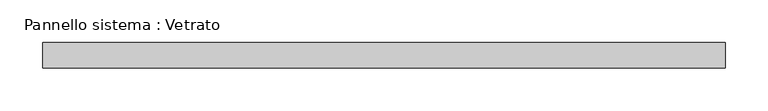
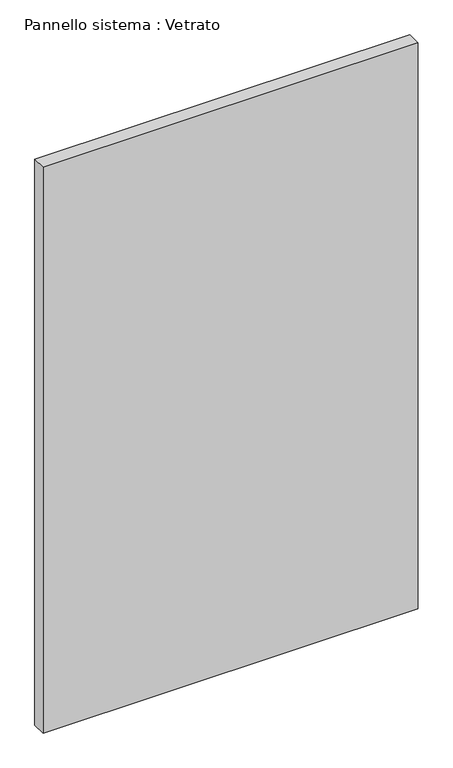
"""IFC4 building model written with IfcOpenShell, lengths in millimetres: plate geometry, Pannello sistema : Vetrato."""

from ifc_helpers import new_model, si_unit, origin, origin_with_axes, place, context, project, spatial, polyline, outline, extrude, source, transform, mapped, element, save


def pannello_sistema_vetrato_28babcdf(model_context):
    return source(origin(), model_context, "Body", "SweptSolid", [
        extrude(outline(polyline([(400.0, -15.0), (-400.0, -15.0), (-400.0, 15.0), (400.0, 15.0), (400.0, -15.0)])), origin_with_axes(), (0.0, 0.0, 1.0), 1275.0),
    ])


if __name__ == "__main__":
    model = new_model("IFC4")
    model_context = context("Model", 3, world=origin())
    ifc_project = project(units=[si_unit("LENGTHUNIT", "METRE", prefix="MILLI")], contexts=[model_context])
    site = spatial("IfcSite", under=ifc_project)
    building = spatial("IfcBuilding", under=site)
    placement = place(None, origin())
    pannello_sistema_vetrato_shape = pannello_sistema_vetrato_28babcdf(model_context)
    element("IfcPlate", 1, ObjectType="Pannello sistema : Vetrato", at=placement, inside=building, context=model_context, shape_type="MappedRepresentation", body=[
        mapped(pannello_sistema_vetrato_shape, transform((0.0, 0.0, 0.0), x_axis=(1.0, 0.0, 0.0), y_axis=(0.0, 1.0, 0.0), z_axis=(0.0, 0.0, 1.0))),
    ])
    save(model, "model.ifc")
